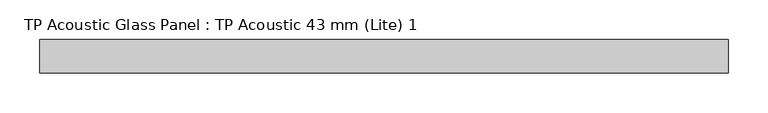
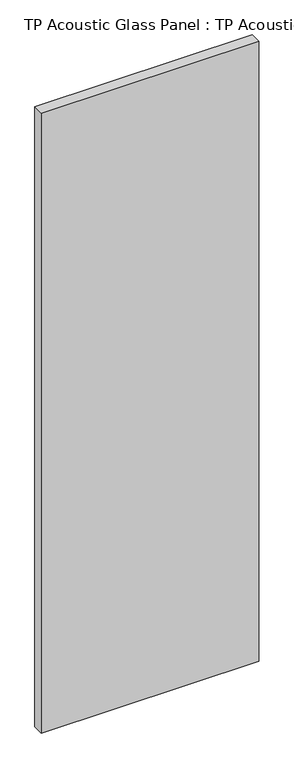
"""IFC4 building model written with IfcOpenShell, lengths in millimetres: plate geometry, TP Acoustic Glass Panel : TP Acoustic 43 mm (Lite) 1."""

from ifc_helpers import new_model, si_unit, origin, origin_with_axes, place, context, project, spatial, polyline, outline, extrude, source, transform, mapped, element, save


def tp_acoustic_glass_panel_tp_acoustic_43_mm_lite_1_a5f67808(model_context):
    return source(origin(), model_context, "Body", "SweptSolid", [
        extrude(outline(polyline([(436.0, 21.5), (436.0, -21.5), (-436.0, -21.5), (-436.0, 21.5), (436.0, 21.5)])), origin_with_axes(), (0.0, 0.0, 1.0), 2628.0),
    ])


if __name__ == "__main__":
    model = new_model("IFC4")
    model_context = context("Model", 3, world=origin())
    ifc_project = project(units=[si_unit("LENGTHUNIT", "METRE", prefix="MILLI")], contexts=[model_context])
    site = spatial("IfcSite", under=ifc_project)
    building = spatial("IfcBuilding", under=site)
    placement = place(None, origin())
    tp_acoustic_glass_panel_tp_acoustic_43_mm_lite_1_shape = tp_acoustic_glass_panel_tp_acoustic_43_mm_lite_1_a5f67808(model_context)
    element("IfcPlate", 1, ObjectType="TP Acoustic Glass Panel : TP Acoustic 43 mm (Lite) 1", at=placement, inside=building, context=model_context, shape_type="MappedRepresentation", body=[
        mapped(tp_acoustic_glass_panel_tp_acoustic_43_mm_lite_1_shape, transform((0.0, 0.0, 0.0), x_axis=(1.0, 0.0, 0.0), y_axis=(0.0, 1.0, 0.0), z_axis=(0.0, 0.0, 1.0))),
    ])
    save(model, "model.ifc")
